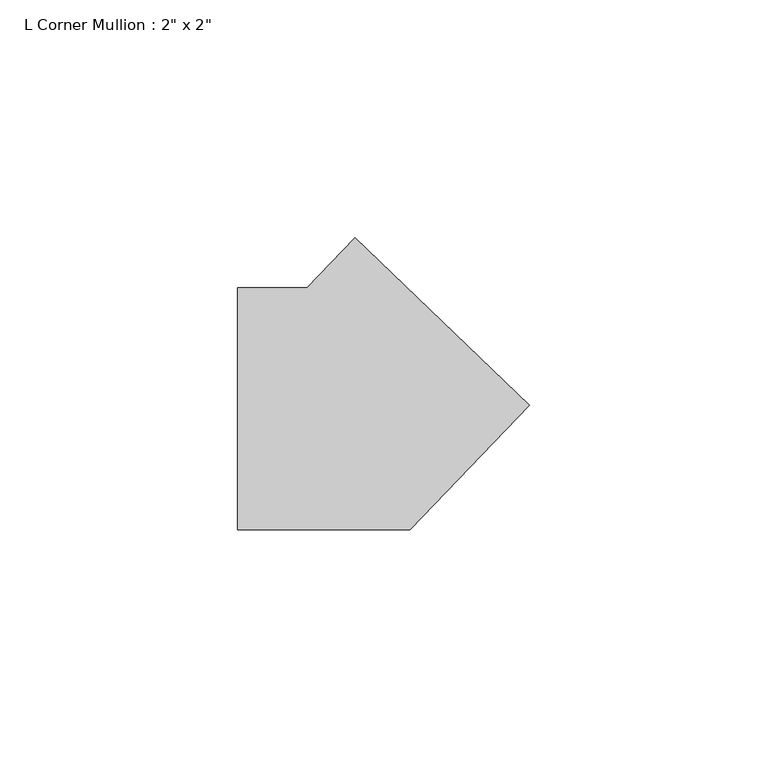
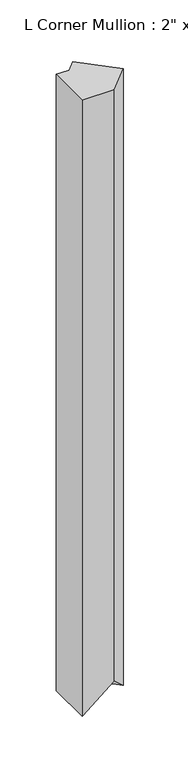
"""IFC4 building model written with IfcOpenShell, lengths in millimetres: member geometry."""

from ifc_helpers import new_model, si_unit, origin, place, context, project, spatial, faceted_brep, source, transform, mapped, element, save


def member_f3e2cef3(model_context):
    return source(origin(), model_context, "Body", "Brep", [
        faceted_brep([(-0.7440862, 35.913317, 0.0), (35.913317, 0.7440862, 0.0), (35.913317, 0.7440862, -736.8375386), (-0.7440862, 35.913317, -736.8375386), (-10.8305964, 25.4, 0.0), (-10.8305964, 25.4, -724.7150621), (-25.4, 25.4, 0.0), (-25.4, 25.4, -736.8375386), (-25.4, -25.4, 0.0), (-25.4, -25.4, -736.8375386), (10.8305964, -25.4, 0.0), (10.8305964, -25.4, -706.6918602)], [[[0, 1, 2, 3]], [[4, 0, 3, 5]], [[6, 4, 5, 7]], [[8, 6, 7, 9]], [[10, 8, 9, 11]], [[1, 10, 11, 2]], [[1, 0, 4, 6, 8, 10]], [[2, 11, 5, 3]], [[11, 9, 7, 5]]]),
    ])


if __name__ == "__main__":
    model = new_model("IFC4")
    model_context = context("Model", 3, world=origin())
    ifc_project = project(units=[si_unit("LENGTHUNIT", "METRE", prefix="MILLI")], contexts=[model_context])
    site = spatial("IfcSite", under=ifc_project)
    building = spatial("IfcBuilding", under=site)
    placement = place(None, origin())
    member_shape = member_f3e2cef3(model_context)
    element("IfcMember", 1, ObjectType="L Corner Mullion : 2\" x 2\"", at=placement, inside=building, context=model_context, shape_type="MappedRepresentation", body=[
        mapped(member_shape, transform((0.0, 0.0, 0.0), x_axis=(1.0, 0.0, 0.0), y_axis=(0.0, 1.0, 0.0), z_axis=(0.0, 0.0, 1.0))),
    ])
    save(model, "model.ifc")
